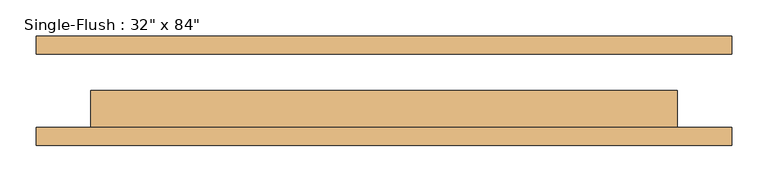
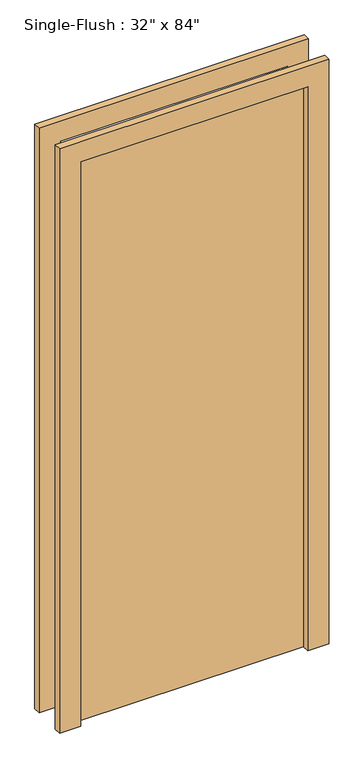
"""IFC4 building model written with IfcOpenShell, lengths in millimetres: door geometry."""

from ifc_helpers import new_model, si_unit, frame, origin, origin_with_axes, place, context, project, spatial, polyline, outline, extrude, source, transform, mapped, element, save


def door_e9c6bfe9(model_context):
    return source(origin(), model_context, "Body", "SweptSolid", [
        extrude(outline(polyline([(2209.8, -482.6), (0.0, -482.6), (0.0, -406.4), (2133.6, -406.4), (2133.6, 406.4), (0.0, 406.4), (0.0, 482.6), (2209.8, 482.6), (2209.8, -482.6)])), frame((0.0, -76.2, 0.0), z_axis=(0.0, 1.0, 0.0), x_axis=(0.0, 0.0, 1.0)), (0.0, 0.0, 1.0), 25.4),
        extrude(outline(polyline([(2209.8, 482.6), (2209.8, -482.6), (0.0, -482.6), (0.0, -406.4), (2133.6, -406.4), (2133.6, 406.4), (0.0, 406.4), (0.0, 482.6), (2209.8, 482.6)])), frame((0.0, 50.8, 0.0), z_axis=(0.0, 1.0, 0.0), x_axis=(0.0, 0.0, 1.0)), (0.0, 0.0, 1.0), 25.4),
        extrude(outline(polyline([(406.4, 0.0), (406.4, -50.8), (-406.4, -50.8), (-406.4, 0.0), (406.4, 0.0)])), origin_with_axes(), (0.0, 0.0, 1.0), 2133.6),
    ])


if __name__ == "__main__":
    model = new_model("IFC4")
    model_context = context("Model", 3, world=origin())
    ifc_project = project(units=[si_unit("LENGTHUNIT", "METRE", prefix="MILLI")], contexts=[model_context])
    site = spatial("IfcSite", under=ifc_project)
    building = spatial("IfcBuilding", under=site)
    placement = place(None, origin())
    door_shape = door_e9c6bfe9(model_context)
    element("IfcDoor", 1, ObjectType="Single-Flush : 32\" x 84\"", at=placement, inside=building, context=model_context, shape_type="MappedRepresentation", body=[
        mapped(door_shape, transform((0.0, 0.0, 0.0), x_axis=(1.0, 0.0, 0.0), y_axis=(0.0, 1.0, 0.0), z_axis=(0.0, 0.0, 1.0))),
    ])
    save(model, "model.ifc")
